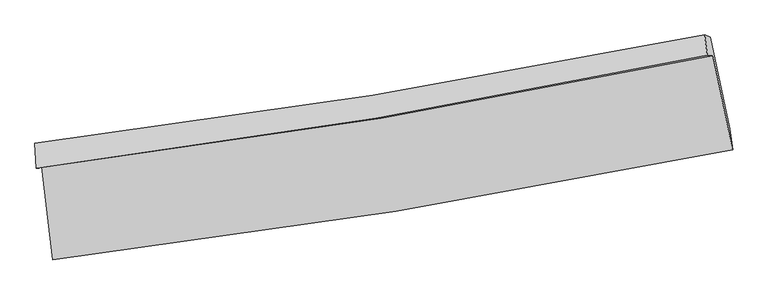
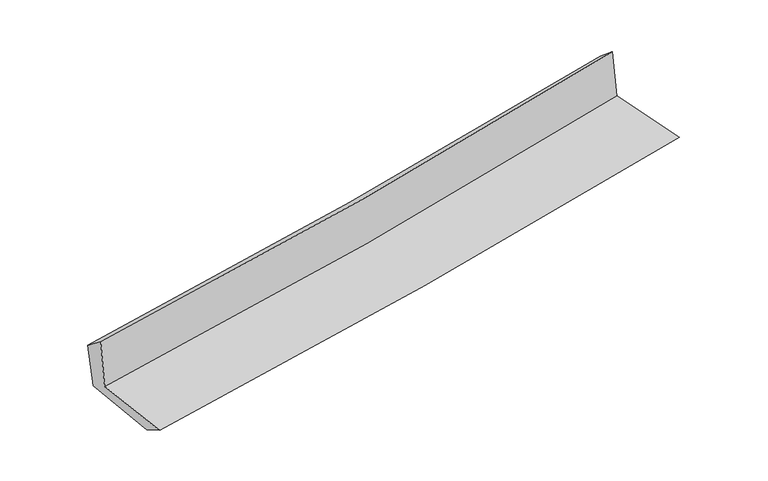
"""IFC4 building model written with IfcOpenShell, lengths in millimetres: proxy geometry."""

from ifc_helpers import new_model, si_unit, frame, origin, place, context, project, spatial, source, transform, mapped, element, save
from ifc_brep_helpers import plane_surface, spline_curve, spline_surface, advanced_brep


def generic_models_36f2f54a(model_context):
    return source(origin(), model_context, "Body", "AdvancedBrep", [
        advanced_brep(
        [(-2374.8750153, -1879.0776376, 1668.5444767), (-2295.9103837, -2529.8291809, 1653.1951988), (2449.3288718, -1760.4597554, 2090.3322969), (2311.7753244, -1104.1935017, 2100.7730116), (-2412.4761428, -1889.473616, 2077.8600406), (2272.8278393, -1102.5394327, 2498.1406746), (-2420.9234332, -1715.1320779, 1948.0470167), (2254.7412964, -959.8844084, 2378.8017465), (-2384.7005544, -1733.0840452, 1588.8391813), (2293.7951044, -977.6978489, 2014.9470777), (-2307.1986157, -2362.4333605, 1562.040335), (2428.6182583, -1615.3328384, 1992.7106326)],
        [
            (0, 1),
            (1, 2, spline_curve(3, [(-2295.9103837, -2529.8291809, 1653.1951988), (-1495.135660086, -2431.666008694, 1727.404760955), (-696.604773719, -2317.922404685, 1801.185479558), (885.080698809, -2061.042741614, 1946.88619765), (1668.296231003, -1918.329870488, 2018.817845128), (2449.3288718, -1760.4597554, 2090.3322969)], [4, 2, 4], [0.0, 7.927702631164856, 15.746999905165454])),
            (2, 3),
            (3, 0, spline_curve(3, [(2311.7753244, -1104.1935017, 2100.7730116), (1541.951575351, -1267.418643238, 2030.111747854), (769.194489037, -1413.280713962, 1959.0130655), (-792.94039234, -1672.060200082, 1814.949100026), (-1582.400086061, -1784.492841682, 1741.971603938), (-2374.8750153, -1879.0776376, 1668.5444767)], [4, 2, 4], [0.0, 7.819297274000598, 15.746999905165454])),
            (4, 0),
            (3, 5),
            (5, 4, spline_curve(3, [(2272.8278393, -1102.5394327, 2498.1406746), (1503.098489238, -1263.732572831, 2425.858713775), (730.499584421, -1409.562040523, 2354.926101182), (-831.188292057, -1672.302386437, 2214.794882927), (-1620.357381382, -1788.784313205, 2145.633950769), (-2412.4761428, -1889.473616, 2077.8600406)], [4, 2, 4], [0.0, 7.77246200926319, 15.65268005984756])),
            (6, 4),
            (5, 7),
            (7, 6, spline_curve(3, [(2254.7412964, -959.8844084, 2378.8017465), (1485.933744686, -1115.695844363, 2308.522642522), (714.59116136, -1256.211623551, 2237.737487327), (-843.89297101, -1508.387899331, 2094.166706376), (-1631.10529755, -1619.621342928, 2021.366951434), (-2420.9234332, -1715.1320779, 1948.0470167)], [4, 2, 4], [0.0, 7.7607101505738925, 15.629013416774505])),
            (8, 6),
            (7, 9),
            (9, 8, spline_curve(3, [(2293.7951044, -977.6978489, 2014.9470777), (1524.659959964, -1133.632814402, 1943.833088789), (752.919778686, -1274.222169383, 1873.009540398), (-806.506041897, -1526.446015382, 1730.965465641), (-1594.264413712, -1637.652059136, 1659.753048653), (-2384.7005544, -1733.0840452, 1588.8391813)], [4, 2, 4], [0.0, 7.751557804156942, 15.610581837425428])),
            (10, 8),
            (9, 11),
            (11, 10, spline_curve(3, [(2428.6182583, -1615.3328384, 1992.7106326), (1650.211393762, -1776.067928772, 1920.542530628), (869.092212354, -1918.392869588, 1848.813313985), (-709.437684679, -2167.94038561, 1705.244294443), (-1506.924128172, -2274.648952155, 1633.416745224), (-2307.1986157, -2362.4333605, 1562.040335)], [4, 2, 4], [0.0, 7.799049006720387, 15.706222652201632])),
            (1, 10),
            (11, 2),
        ],
        [
            spline_surface(3, 3, [[(-2374.8750153, -1879.0776376, 1668.5444767), (-1582.400086171, -1784.492841616, 1741.971603928), (-792.940392445, -1672.060200195, 1814.949099943), (769.19448914, -1413.280713851, 1959.013065581), (1541.951575268, -1267.418643291, 2030.111747866), (2311.7753244, -1104.1935017, 2100.7730116)], [(-2348.553471429, -2095.994818699, 1663.428050749), (-1553.311944102, -2000.217230663, 1737.115989657), (-760.828519532, -1887.347601708, 1810.361226518), (807.823225698, -1629.201389748, 1954.97077627), (1584.066460516, -1484.389052316, 2026.347113617), (2357.626506874, -1322.948919581, 2097.292773372)], [(-2322.231927571, -2312.911999801, 1658.311624751), (-1524.223802046, -2215.941619715, 1732.260375339), (-728.716646627, -2102.635003233, 1805.77335304), (846.451962247, -1845.122065657, 1950.928486906), (1626.181345742, -1701.359461399, 2022.582479352), (2403.477689326, -1541.704337519, 2093.812535128)], [(-2295.9103837, -2529.8291809, 1653.1951988), (-1495.135659977, -2431.666008762, 1727.404761069), (-696.604773714, -2317.922404746, 1801.185479614), (885.080698804, -2061.042741554, 1946.886197595), (1668.29623099, -1918.329870424, 2018.817845103), (2449.3288718, -1760.4597554, 2090.3322969)]], [4, 4], [4, 2, 4], [0.0, 2.1507607963172974], [0.0, 7.927702631164856, 15.746999905165454]),
            spline_surface(3, 3, [[(-2412.4761428, -1889.473616, 2077.8600406), (-1620.357381402, -1788.784313103, 2145.633950746), (-831.188292065, -1672.302386416, 2214.79488292), (730.499584428, -1409.562040544, 2354.926101189), (1503.098489123, -1263.732572748, 2425.858713694), (2272.8278393, -1102.5394327, 2498.1406746)], [(-2399.942433664, -1886.008289873, 1941.421519289), (-1607.704949689, -1787.353822614, 2011.079835129), (-818.4389922, -1672.221657649, 2081.512955247), (743.39788599, -1410.801598286, 2222.955089305), (1516.04951783, -1264.961262917, 2293.943058414), (2285.810334325, -1103.090789022, 2365.684786929)], [(-2387.408724436, -1882.542963727, 1804.982998011), (-1595.052517884, -1785.923332106, 1876.525719545), (-805.68969231, -1672.140928962, 1948.231027617), (756.296187578, -1412.041156109, 2090.984077465), (1529.000546561, -1266.189953121, 2162.027403146), (2298.792829375, -1103.642145378, 2233.228899271)], [(-2374.8750153, -1879.0776376, 1668.5444767), (-1582.400086171, -1784.492841616, 1741.971603928), (-792.940392445, -1672.060200195, 1814.949099943), (769.19448914, -1413.280713851, 1959.013065581), (1541.951575268, -1267.418643291, 2030.111747866), (2311.7753244, -1104.1935017, 2100.7730116)]], [4, 4], [4, 2, 4], [0.0, 1.311566835198934], [0.0, 7.88021805058437, 15.65268005984756]),
            spline_surface(3, 3, [[(-2420.9234332, -1715.1320779, 1948.0470167), (-1631.105297468, -1619.621343042, 2021.366951515), (-843.892970907, -1508.387899273, 2094.166706315), (714.591161259, -1256.211623609, 2237.737487386), (1485.933744558, -1115.69584426, 2308.5226425), (2254.7412964, -959.8844084, 2378.8017465)], [(-2418.107669724, -1773.245923912, 1991.318024685), (-1627.52265877, -1676.008999708, 2062.789284611), (-839.658077971, -1563.026061658, 2134.376098515), (719.89396897, -1307.328429258, 2276.800358652), (1491.655326087, -1165.04142045, 2347.634666234), (2260.77014404, -1007.436083195, 2418.581389202)], [(-2415.291906276, -1831.359769988, 2034.589032615), (-1623.940020101, -1732.396656438, 2104.211617651), (-835.423185, -1617.664224031, 2174.585490721), (725.196776717, -1358.445234895, 2315.863229924), (1497.376907595, -1214.386996557, 2386.746689961), (2266.79899166, -1054.987757905, 2458.361031898)], [(-2412.4761428, -1889.473616, 2077.8600406), (-1620.357381402, -1788.784313103, 2145.633950746), (-831.188292065, -1672.302386416, 2214.79488292), (730.499584428, -1409.562040544, 2354.926101189), (1503.098489123, -1263.732572748, 2425.858713694), (2272.8278393, -1102.5394327, 2498.1406746)]], [4, 4], [4, 2, 4], [0.0, 0.6523533918847596], [0.0, 7.868303266200613, 15.629013416774505]),
            spline_surface(3, 3, [[(-2384.7005544, -1733.0840452, 1588.8391813), (-1594.264413794, -1637.652059174, 1659.75304876), (-806.506041944, -1526.446015362, 1730.965465743), (752.919778732, -1274.222169403, 1873.009540298), (1524.659959857, -1133.632814463, 1943.833088717), (2293.7951044, -977.6978489, 2014.9470777)], [(-2396.774847335, -1727.100056117, 1708.575126443), (-1606.544708354, -1631.64182048, 1780.291016355), (-818.968351589, -1520.426643345, 1852.032545952), (740.143572917, -1268.218654151, 1994.585522679), (1511.751221446, -1127.653824395, 2065.396273299), (2280.777168422, -971.7600354, 2136.231967288)], [(-2408.849140265, -1721.116066983, 1828.311071557), (-1618.825002908, -1625.631581735, 1900.828983921), (-831.430661262, -1514.40727129, 1973.099626107), (727.367367074, -1262.215138861, 2116.161505006), (1498.842482969, -1121.674834327, 2186.959457918), (2267.759232378, -965.8222219, 2257.516856912)], [(-2420.9234332, -1715.1320779, 1948.0470167), (-1631.105297468, -1619.621343042, 2021.366951515), (-843.892970907, -1508.387899273, 2094.166706315), (714.591161259, -1256.211623609, 2237.737487386), (1485.933744558, -1115.69584426, 2308.5226425), (2254.7412964, -959.8844084, 2378.8017465)]], [4, 4], [4, 2, 4], [0.0, 1.2019721306413322], [0.0, 7.859024033268486, 15.610581837425428]),
            spline_surface(3, 3, [[(-2307.1986157, -2362.4333605, 1562.040335), (-1506.924128225, -2274.648952026, 1633.416745329), (-709.437684744, -2167.940385617, 1705.244294469), (869.092212419, -1918.392869581, 1848.813313959), (1650.211393654, -1776.067928652, 1920.542530662), (2428.6182583, -1615.3328384, 1992.7106326)], [(-2333.032595267, -2152.650255379, 1570.973283748), (-1536.037556748, -2062.316654388, 1642.195513121), (-741.793803796, -1954.108928862, 1713.818018204), (830.368067871, -1703.669302852, 1856.878722715), (1608.360915725, -1561.922890575, 1928.306050015), (2383.677207003, -1402.787841886, 2000.122780968)], [(-2358.866574833, -1942.867150321, 1579.906232552), (-1565.15098527, -1849.984356812, 1650.974280968), (-774.149922892, -1740.277472117, 1722.391742009), (791.64392328, -1488.945736132, 1864.944131542), (1566.510437786, -1347.77785254, 1936.069569364), (2338.736155697, -1190.242845414, 2007.534929332)], [(-2384.7005544, -1733.0840452, 1588.8391813), (-1594.264413794, -1637.652059174, 1659.75304876), (-806.506041944, -1526.446015362, 1730.965465743), (752.919778732, -1274.222169403, 1873.009540298), (1524.659959857, -1133.632814463, 1943.833088717), (2293.7951044, -977.6978489, 2014.9470777)]], [4, 4], [4, 2, 4], [0.0, 2.1392805808231468], [0.0, 7.907173645481245, 15.706222652201632]),
            spline_surface(3, 3, [[(-2295.9103837, -2529.8291809, 1653.1951988), (-1495.135659977, -2431.666008762, 1727.404761069), (-696.604773714, -2317.922404746, 1801.185479614), (885.080698804, -2061.042741554, 1946.886197595), (1668.29623099, -1918.329870424, 2018.817845103), (2449.3288718, -1760.4597554, 2090.3322969)], [(-2299.673127681, -2474.03057412, 1622.810244186), (-1499.065149374, -2379.326989871, 1696.075422475), (-700.882410731, -2267.928398387, 1769.205084571), (879.751203336, -2013.492784247, 1914.195236388), (1662.267951846, -1870.909223184, 1986.059406964), (2442.425333935, -1712.084116417, 2057.791742141)], [(-2303.435871719, -2418.23196728, 1592.425289614), (-1502.994638827, -2326.987970918, 1664.746083923), (-705.160047728, -2217.934391976, 1737.224689512), (874.421707887, -1965.942826888, 1881.504275166), (1656.239672797, -1823.488575893, 1953.300968801), (2435.521796165, -1663.708477383, 2025.251187359)], [(-2307.1986157, -2362.4333605, 1562.040335), (-1506.924128225, -2274.648952026, 1633.416745329), (-709.437684744, -2167.940385617, 1705.244294469), (869.092212419, -1918.392869581, 1848.813313959), (1650.211393654, -1776.067928652, 1920.542530662), (2428.6182583, -1615.3328384, 1992.7106326)]], [4, 4], [4, 2, 4], [0.0, 0.5780035941946435], [0.0, 7.963968028839492, 15.81903479854028]),
            plane_surface(frame((2335.1811158, -1253.3512976, 2179.28424), z_axis=(0.9746364560217134, 0.20277766227240662, 0.09468367481658317), x_axis=(-0.10659434389819512, 0.048620406127200366, 0.9931131365342719))),
            plane_surface(frame((-2366.0140242, -2018.171653, 1749.7543749), z_axis=(-0.9886028571008143, -0.1177481491999863, -0.09380705886064589), x_axis=(-0.12042713428973628, 0.9924461355959993, 0.02340882883292707))),
        ],
        [
            (0, [[1, 2, 3, 4]]),
            (1, [[5, -4, 6, 7]]),
            (2, [[8, -7, 9, 10]]),
            (3, [[11, -10, 12, 13]]),
            (4, [[14, -13, 15, 16]]),
            (5, [[17, -16, 18, -2]]),
            (6, [[-12, -9, -6, -3, -18, -15]]),
            (7, [[-1, -5, -8, -11, -14, -17]]),
        ],
    ),
    ])


if __name__ == "__main__":
    model = new_model("IFC4")
    model_context = context("Model", 3, world=origin())
    ifc_project = project(units=[si_unit("LENGTHUNIT", "METRE", prefix="MILLI")], contexts=[model_context])
    site = spatial("IfcSite", under=ifc_project)
    building = spatial("IfcBuilding", under=site)
    placement = place(None, origin())
    generic_models_shape = generic_models_36f2f54a(model_context)
    element("IfcBuildingElementProxy", 1, Name="Generic Models", at=placement, inside=building, context=model_context, shape_type="MappedRepresentation", body=[
        mapped(generic_models_shape, transform((0.0, 0.0, 0.0), x_axis=(1.0, 0.0, 0.0), y_axis=(0.0, 1.0, 0.0), z_axis=(0.0, 0.0, 1.0))),
    ])
    save(model, "model.ifc")
